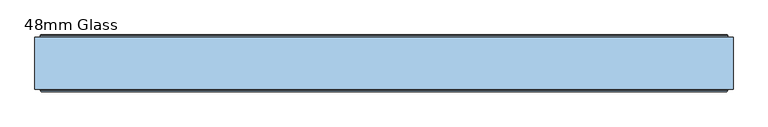
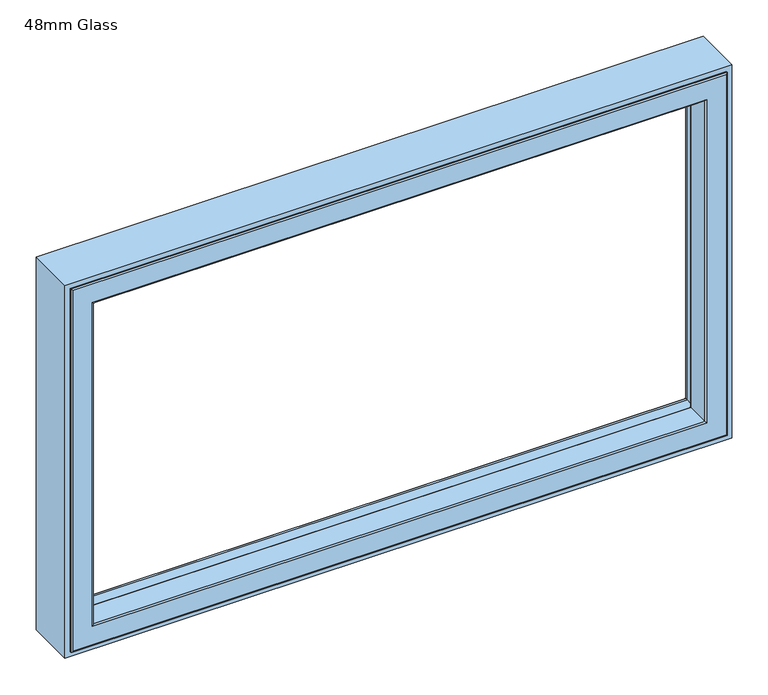
"""IFC4 building model written with IfcOpenShell, lengths in millimetres: window geometry, 48mm Glass."""

from ifc_helpers import new_model, si_unit, frame, origin, place, context, project, spatial, polyline, ellipse_curve, outline, extrude, source, transform, mapped, element, save
from ifc_brep_helpers import plane_surface, cylinder_surface, revolved_surface, advanced_brep


def window_48mm_glass_c52d5201(model_context):
    return source(origin(), model_context, "Body", "SolidModel", [
        advanced_brep(
        [(-689.5, 91.0, 1627.5), (-688.0, 89.5, 1626.0), (-688.0, 89.5, 862.0), (-689.5, 91.0, 860.5), (-688.0, 35.0, 1626.0), (-688.0, 35.0, 862.0), (688.0, 89.5, 862.0), (689.5, 91.0, 860.5), (704.6498733, 91.0, 1642.6498733), (704.6498733, 91.0, 845.3501267), (-704.6498733, 91.0, 845.3501267), (-704.6498733, 91.0, 1642.6498733), (689.5, 91.0, 1627.5), (-706.1386925, 92.317196, 1644.1386925), (-706.1386925, 92.317196, 843.8613075), (706.1386925, 92.317196, 843.8613075), (-712.7857488, 146.453125, 1650.7857488), (-712.7857488, 146.453125, 837.2142512), (712.7857488, 146.453125, 837.2142512), (713.6, 146.453125, 1651.6), (713.6, 146.453125, 836.4), (-713.6, 146.453125, 836.4), (-713.6, 146.453125, 1651.6), (712.7857488, 146.453125, 1650.7857488), (-713.6, 153.0, 1651.6), (-713.6, 153.0, 836.4), (713.6, 153.0, 836.4), (-714.6, 154.0, 1652.6), (-714.6, 154.0, 835.4), (714.6, 154.0, 835.4), (737.0, 154.0, 1675.0), (737.0, 154.0, 813.0), (-737.0, 154.0, 813.0), (-737.0, 154.0, 1675.0), (714.6, 154.0, 1652.6), (-738.0, 153.0, 1676.0), (-738.0, 153.0, 812.0), (738.0, 153.0, 812.0), (-738.0, 35.0, 1676.0), (-738.0, 35.0, 812.0), (738.0, 35.0, 812.0), (-735.0, 32.0, 1673.0), (-735.0, 32.0, 815.0), (735.0, 32.0, 815.0), (735.0, 32.0, 1673.0), (691.0, 32.0, 1629.0), (691.0, 32.0, 859.0), (-691.0, 32.0, 859.0), (-691.0, 32.0, 1629.0), (688.0, 35.0, 862.0), (688.0, 89.5, 1626.0), (706.1386925, 92.317196, 1644.1386925), (713.6, 153.0, 1651.6), (738.0, 153.0, 1676.0), (738.0, 35.0, 1676.0), (688.0, 35.0, 1626.0)],
        [
            (0, 1, ellipse_curve(frame((-689.5, 89.5, 1627.5), z_axis=(-0.7071067811865475, 0.0, -0.7071067811865475), x_axis=(-0.7071067811865474, 0.0, 0.7071067811865476)), 2.1213203, 1.5)),
            (1, 2),
            (2, 3, ellipse_curve(frame((-689.5, 89.5, 860.5), z_axis=(-0.7071067811865475, 0.0, 0.7071067811865475), x_axis=(0.7071067811865474, 0.0, 0.7071067811865476)), 2.1213203, 1.5)),
            (3, 0),
            (1, 4),
            (4, 5),
            (5, 2),
            (2, 6),
            (6, 7, ellipse_curve(frame((689.5, 89.5, 860.5), z_axis=(-0.7071067811865475, 0.0, -0.7071067811865475), x_axis=(-0.7071067811865476, 0.0, 0.7071067811865474)), 2.1213203, 1.5)),
            (7, 3),
            (8, 9),
            (9, 10),
            (10, 11),
            (11, 8),
            (7, 12),
            (12, 0),
            (13, 11, ellipse_curve(frame((-704.6498733, 92.5, 1642.6498733), z_axis=(0.7071067811865475, 0.0, 0.7071067811865475), x_axis=(0.7071067811865474, 0.0, -0.7071067811865476)), 2.1213203, 1.5)),
            (10, 14, ellipse_curve(frame((-704.6498733, 92.5, 845.3501267), z_axis=(0.7071067811865475, 0.0, -0.7071067811865475), x_axis=(-0.7071067811865474, 0.0, -0.7071067811865476)), 2.1213203, 1.5)),
            (14, 13),
            (9, 15, ellipse_curve(frame((704.6498733, 92.5, 845.3501267), z_axis=(0.7071067811865475, 0.0, 0.7071067811865475), x_axis=(0.7071067811865476, 0.0, -0.7071067811865474)), 2.1213203, 1.5)),
            (15, 14),
            (16, 13),
            (14, 17),
            (17, 16),
            (15, 18),
            (18, 17),
            (19, 20),
            (20, 21),
            (21, 22),
            (22, 19),
            (18, 23),
            (23, 16),
            (24, 22),
            (21, 25),
            (25, 24),
            (20, 26),
            (26, 25),
            (27, 24, ellipse_curve(frame((-714.6, 153.0, 1652.6), z_axis=(-0.7071067811865475, 0.0, -0.7071067811865475), x_axis=(-0.7071067811865474, 0.0, 0.7071067811865476)), 1.4142136, 1.0)),
            (25, 28, ellipse_curve(frame((-714.6, 153.0, 835.4), z_axis=(-0.7071067811865475, 0.0, 0.7071067811865475), x_axis=(0.7071067811865474, 0.0, 0.7071067811865476)), 1.4142136, 1.0)),
            (28, 27),
            (26, 29, ellipse_curve(frame((714.6, 153.0, 835.4), z_axis=(-0.7071067811865475, 0.0, -0.7071067811865475), x_axis=(-0.7071067811865476, 0.0, 0.7071067811865474)), 1.4142136, 1.0)),
            (29, 28),
            (30, 31),
            (31, 32),
            (32, 33),
            (33, 30),
            (29, 34),
            (34, 27),
            (35, 33, ellipse_curve(frame((-737.0, 153.0, 1675.0), z_axis=(-0.7071067811865475, 0.0, -0.7071067811865475), x_axis=(-0.7071067811865474, 0.0, 0.7071067811865476)), 1.4142136, 1.0)),
            (32, 36, ellipse_curve(frame((-737.0, 153.0, 813.0), z_axis=(-0.7071067811865475, 0.0, 0.7071067811865475), x_axis=(0.7071067811865474, 0.0, 0.7071067811865476)), 1.4142136, 1.0)),
            (36, 35),
            (31, 37, ellipse_curve(frame((737.0, 153.0, 813.0), z_axis=(-0.7071067811865475, 0.0, -0.7071067811865475), x_axis=(-0.7071067811865476, 0.0, 0.7071067811865474)), 1.4142136, 1.0)),
            (37, 36),
            (38, 35),
            (36, 39),
            (39, 38),
            (37, 40),
            (40, 39),
            (41, 38, ellipse_curve(frame((-735.0, 35.0, 1673.0), z_axis=(-0.7071067811865475, 0.0, -0.7071067811865475), x_axis=(-0.7071067811865474, 0.0, 0.7071067811865476)), 4.2426407, 3.0)),
            (39, 42, ellipse_curve(frame((-735.0, 35.0, 815.0), z_axis=(-0.7071067811865475, 0.0, 0.7071067811865475), x_axis=(0.7071067811865474, 0.0, 0.7071067811865476)), 4.2426407, 3.0)),
            (42, 41),
            (40, 43, ellipse_curve(frame((735.0, 35.0, 815.0), z_axis=(-0.7071067811865475, 0.0, -0.7071067811865475), x_axis=(-0.7071067811865476, 0.0, 0.7071067811865474)), 4.2426407, 3.0)),
            (43, 42),
            (43, 44),
            (44, 41),
            (45, 46),
            (46, 47),
            (47, 48),
            (48, 45),
            (4, 48, ellipse_curve(frame((-691.0, 35.0, 1629.0), z_axis=(-0.7071067811865475, 0.0, -0.7071067811865475), x_axis=(-0.7071067811865474, 0.0, 0.7071067811865476)), 4.2426407, 3.0)),
            (47, 5, ellipse_curve(frame((-691.0, 35.0, 859.0), z_axis=(-0.7071067811865475, 0.0, 0.7071067811865475), x_axis=(0.7071067811865474, 0.0, 0.7071067811865476)), 4.2426407, 3.0)),
            (46, 49, ellipse_curve(frame((691.0, 35.0, 859.0), z_axis=(-0.7071067811865475, 0.0, -0.7071067811865475), x_axis=(-0.7071067811865476, 0.0, 0.7071067811865474)), 4.2426407, 3.0)),
            (49, 5),
            (49, 6),
            (6, 50),
            (50, 12, ellipse_curve(frame((689.5, 89.5, 1627.5), z_axis=(0.7071067811865475, 0.0, -0.7071067811865475), x_axis=(-0.7071067811865474, 0.0, -0.7071067811865476)), 2.1213203, 1.5)),
            (8, 51, ellipse_curve(frame((704.6498733, 92.5, 1642.6498733), z_axis=(-0.7071067811865475, 0.0, 0.7071067811865475), x_axis=(0.7071067811865474, 0.0, 0.7071067811865476)), 2.1213203, 1.5)),
            (51, 15),
            (51, 23),
            (19, 52),
            (52, 26),
            (52, 34, ellipse_curve(frame((714.6, 153.0, 1652.6), z_axis=(0.7071067811865475, 0.0, -0.7071067811865475), x_axis=(-0.7071067811865474, 0.0, -0.7071067811865476)), 1.4142136, 1.0)),
            (30, 53, ellipse_curve(frame((737.0, 153.0, 1675.0), z_axis=(0.7071067811865475, 0.0, -0.7071067811865475), x_axis=(-0.7071067811865474, 0.0, -0.7071067811865476)), 1.4142136, 1.0)),
            (53, 37),
            (53, 54),
            (54, 40),
            (54, 44, ellipse_curve(frame((735.0, 35.0, 1673.0), z_axis=(0.7071067811865475, 0.0, -0.7071067811865475), x_axis=(-0.7071067811865474, 0.0, -0.7071067811865476)), 4.2426407, 3.0)),
            (45, 55, ellipse_curve(frame((691.0, 35.0, 1629.0), z_axis=(0.7071067811865475, 0.0, -0.7071067811865475), x_axis=(-0.7071067811865474, 0.0, -0.7071067811865476)), 4.2426407, 3.0)),
            (55, 49),
            (55, 50),
            (50, 1),
            (13, 51),
            (24, 52),
            (35, 53),
            (38, 54),
            (4, 55),
        ],
        [
            cylinder_surface(frame((-689.5, 89.5, 1688.0), z_axis=(0.0, 0.0, 1.0), x_axis=(0.0, 1.0, 0.0)), 1.5),
            plane_surface(frame((-688.0, 35.0, 1626.0), z_axis=(1.0, 0.0, 0.0), x_axis=(0.0, 0.0, -1.0))),
            cylinder_surface(frame((-750.0, 89.5, 860.5), z_axis=(-1.0, 0.0, 0.0), x_axis=(0.0, 1.0, 0.0)), 1.5),
            plane_surface(frame((689.5, 91.0, 860.5), z_axis=(0.0, 1.0, 0.0), x_axis=(0.0, 0.0, 1.0))),
            revolved_surface(polyline([(-704.6498733, 94.0, 843.8501267308013), (-704.6498733, 94.0, 1644.1498732691987)]), (-704.6498733, 92.5, 1688.0), (0.0, 0.0, -1.0)),
            revolved_surface(polyline([(706.1498732691985, 94.0, 845.3501267), (-706.1498732691987, 94.0, 845.3501267)]), (-750.0, 92.5, 845.3501267), (1.0, 0.0, 0.0)),
            plane_surface(frame((-706.1386925, 92.317196, 1644.1386925), z_axis=(0.9925461516413235, 0.12186934340513574, 0.0), x_axis=(0.0, 0.0, -1.0))),
            plane_surface(frame((-706.1386925, 92.317196, 843.8613075), z_axis=(0.0, 0.12186934340513574, 0.9925461516413235), x_axis=(1.0, 0.0, 0.0))),
            plane_surface(frame((712.7857488, 146.453125, 837.2142512), z_axis=(0.0, 1.0, 0.0), x_axis=(0.0, 0.0, 1.0))),
            plane_surface(frame((-713.6, 146.453125, 1651.6), z_axis=(1.0, 0.0, 0.0), x_axis=(0.0, 0.0, -1.0))),
            plane_surface(frame((-713.6, 146.453125, 836.4), z_axis=(0.0, 0.0, 1.0), x_axis=(1.0, 0.0, 0.0))),
            cylinder_surface(frame((-714.6, 153.0, 1688.0), z_axis=(0.0, 0.0, 1.0), x_axis=(0.0, 1.0, 0.0)), 1.0),
            cylinder_surface(frame((-750.0, 153.0, 835.4), z_axis=(-1.0, 0.0, 0.0), x_axis=(0.0, 1.0, 0.0)), 1.0),
            plane_surface(frame((714.6, 154.0, 835.4), z_axis=(0.0, 1.0, 0.0), x_axis=(0.0, 0.0, 1.0))),
            cylinder_surface(frame((-737.0, 153.0, 1688.0), z_axis=(0.0, 0.0, 1.0), x_axis=(0.0, 1.0, 0.0)), 1.0),
            cylinder_surface(frame((-750.0, 153.0, 813.0), z_axis=(-1.0, 0.0, 0.0), x_axis=(0.0, 1.0, 0.0)), 1.0),
            plane_surface(frame((-738.0, 153.0, 1676.0), z_axis=(-1.0, 0.0, 0.0), x_axis=(0.0, 0.0, -1.0))),
            plane_surface(frame((-738.0, 153.0, 812.0), z_axis=(0.0, 0.0, -1.0), x_axis=(1.0, 0.0, 0.0))),
            cylinder_surface(frame((-735.0, 35.0, 1688.0), z_axis=(0.0, 0.0, 1.0), x_axis=(0.0, 1.0, 0.0)), 3.0),
            cylinder_surface(frame((-750.0, 35.0, 815.0), z_axis=(-1.0, 0.0, 0.0), x_axis=(0.0, 1.0, 0.0)), 3.0),
            plane_surface(frame((735.0, 32.0, 815.0), z_axis=(0.0, -1.0, 0.0), x_axis=(0.0, 0.0, 1.0))),
            cylinder_surface(frame((-691.0, 35.0, 1688.0), z_axis=(0.0, 0.0, 1.0), x_axis=(0.0, 1.0, 0.0)), 3.0),
            cylinder_surface(frame((-750.0, 35.0, 859.0), z_axis=(-1.0, 0.0, 0.0), x_axis=(0.0, 1.0, 0.0)), 3.0),
            plane_surface(frame((-688.0, 35.0, 862.0), z_axis=(0.0, 0.0, 1.0), x_axis=(1.0, 0.0, 0.0))),
            cylinder_surface(frame((689.5, 89.5, 800.0), z_axis=(0.0, 0.0, -1.0), x_axis=(0.0, 1.0, 0.0)), 1.5),
            revolved_surface(polyline([(704.6498733, 94.0, 1644.149873269199), (704.6498733, 94.0, 843.8501267308013)]), (704.6498733, 92.5, 800.0), (0.0, 0.0, 1.0)),
            plane_surface(frame((706.1386925, 92.317196, 843.8613075), z_axis=(-0.9925461516413235, 0.12186934340513574, 0.0), x_axis=(0.0, 0.0, 1.0))),
            plane_surface(frame((713.6, 146.453125, 836.4), z_axis=(-1.0, 0.0, 0.0), x_axis=(0.0, 0.0, 1.0))),
            cylinder_surface(frame((714.6, 153.0, 800.0), z_axis=(0.0, 0.0, -1.0), x_axis=(0.0, 1.0, 0.0)), 1.0),
            cylinder_surface(frame((737.0, 153.0, 800.0), z_axis=(0.0, 0.0, -1.0), x_axis=(0.0, 1.0, 0.0)), 1.0),
            plane_surface(frame((738.0, 153.0, 812.0), z_axis=(1.0, 0.0, 0.0), x_axis=(0.0, 0.0, 1.0))),
            cylinder_surface(frame((735.0, 35.0, 800.0), z_axis=(0.0, 0.0, -1.0), x_axis=(0.0, 1.0, 0.0)), 3.0),
            cylinder_surface(frame((691.0, 35.0, 800.0), z_axis=(0.0, 0.0, -1.0), x_axis=(0.0, 1.0, 0.0)), 3.0),
            plane_surface(frame((688.0, 35.0, 862.0), z_axis=(-1.0, 0.0, 0.0), x_axis=(0.0, 0.0, 1.0))),
            cylinder_surface(frame((750.0, 89.5, 1627.5), z_axis=(1.0, 0.0, 0.0), x_axis=(0.0, 1.0, 0.0)), 1.5),
            revolved_surface(polyline([(-706.1498732691985, 94.0, 1642.6498733), (706.1498732691987, 94.0, 1642.6498733)]), (750.0, 92.5, 1642.6498733), (-1.0, 0.0, 0.0)),
            plane_surface(frame((706.1386925, 92.317196, 1644.1386925), z_axis=(0.0, 0.12186934340513574, -0.9925461516413235), x_axis=(-1.0, 0.0, 0.0))),
            plane_surface(frame((713.6, 146.453125, 1651.6), z_axis=(0.0, 0.0, -1.0), x_axis=(-1.0, 0.0, 0.0))),
            cylinder_surface(frame((750.0, 153.0, 1652.6), z_axis=(1.0, 0.0, 0.0), x_axis=(0.0, 1.0, 0.0)), 1.0),
            cylinder_surface(frame((750.0, 153.0, 1675.0), z_axis=(1.0, 0.0, 0.0), x_axis=(0.0, 1.0, 0.0)), 1.0),
            plane_surface(frame((738.0, 153.0, 1676.0), z_axis=(0.0, 0.0, 1.0), x_axis=(-1.0, 0.0, 0.0))),
            cylinder_surface(frame((750.0, 35.0, 1673.0), z_axis=(1.0, 0.0, 0.0), x_axis=(0.0, 1.0, 0.0)), 3.0),
            cylinder_surface(frame((750.0, 35.0, 1629.0), z_axis=(1.0, 0.0, 0.0), x_axis=(0.0, 1.0, 0.0)), 3.0),
            plane_surface(frame((688.0, 35.0, 1626.0), z_axis=(0.0, 0.0, -1.0), x_axis=(-1.0, 0.0, 0.0))),
        ],
        [
            (0, [[1, 2, 3, 4]]),
            (1, [[5, 6, 7, -2]]),
            (2, [[-3, 8, 9, 10]]),
            (3, [[11, 12, 13, 14], [-4, -10, 15, 16]]),
            (4, [[17, -13, 18, 19]]),
            (5, [[-18, -12, 20, 21]]),
            (6, [[22, -19, 23, 24]]),
            (7, [[-23, -21, 25, 26]]),
            (8, [[27, 28, 29, 30], [-24, -26, 31, 32]]),
            (9, [[33, -29, 34, 35]]),
            (10, [[-34, -28, 36, 37]]),
            (11, [[38, -35, 39, 40]]),
            (12, [[-39, -37, 41, 42]]),
            (13, [[43, 44, 45, 46], [-40, -42, 47, 48]]),
            (14, [[49, -45, 50, 51]]),
            (15, [[-50, -44, 52, 53]]),
            (16, [[54, -51, 55, 56]]),
            (17, [[-55, -53, 57, 58]]),
            (18, [[59, -56, 60, 61]]),
            (19, [[-60, -58, 62, 63]]),
            (20, [[-61, -63, 64, 65], [66, 67, 68, 69]]),
            (21, [[70, -68, 71, -6]]),
            (22, [[-71, -67, 72, 73]]),
            (23, [[-7, -73, 74, -8]]),
            (24, [[-9, 75, 76, -15]]),
            (25, [[-20, -11, 77, 78]]),
            (26, [[-25, -78, 79, -31]]),
            (27, [[-36, -27, 80, 81]]),
            (28, [[-41, -81, 82, -47]]),
            (29, [[-52, -43, 83, 84]]),
            (30, [[-57, -84, 85, 86]]),
            (31, [[-62, -86, 87, -64]]),
            (32, [[-72, -66, 88, 89]]),
            (33, [[-74, -89, 90, -75]]),
            (34, [[-76, 91, -1, -16]]),
            (35, [[-77, -14, -17, 92]]),
            (36, [[-79, -92, -22, -32]]),
            (37, [[-80, -30, -33, 93]]),
            (38, [[-82, -93, -38, -48]]),
            (39, [[-83, -46, -49, 94]]),
            (40, [[-85, -94, -54, 95]]),
            (41, [[-87, -95, -59, -65]]),
            (42, [[-88, -69, -70, 96]]),
            (43, [[-90, -96, -5, -91]]),
        ],
    ),
        extrude(outline(polyline([(1688.0, -750.0), (800.0, -750.0), (800.0, 750.0), (1688.0, 750.0), (1688.0, -750.0)]), holes=[polyline([(1676.0, 738.0), (812.0, 738.0), (812.0, -738.0), (1676.0, -738.0), (1676.0, 738.0)])]), frame((0.0, 37.0, 0.0), z_axis=(0.0, 1.0, 0.0), x_axis=(0.0, 0.0, 1.0)), (0.0, 0.0, 1.0), 112.0),
    ])


if __name__ == "__main__":
    model = new_model("IFC4")
    model_context = context("Model", 3, world=origin())
    ifc_project = project(units=[si_unit("LENGTHUNIT", "METRE", prefix="MILLI")], contexts=[model_context])
    site = spatial("IfcSite", under=ifc_project)
    building = spatial("IfcBuilding", under=site)
    placement = place(None, origin())
    window_48mm_glass_shape = window_48mm_glass_c52d5201(model_context)
    element("IfcWindow", 1, ObjectType="48mm Glass", at=placement, inside=building, context=model_context, shape_type="MappedRepresentation", body=[
        mapped(window_48mm_glass_shape, transform((0.0, 0.0, 0.0), x_axis=(1.0, 0.0, 0.0), y_axis=(0.0, 1.0, 0.0), z_axis=(0.0, 0.0, 1.0))),
    ])
    save(model, "model.ifc")
